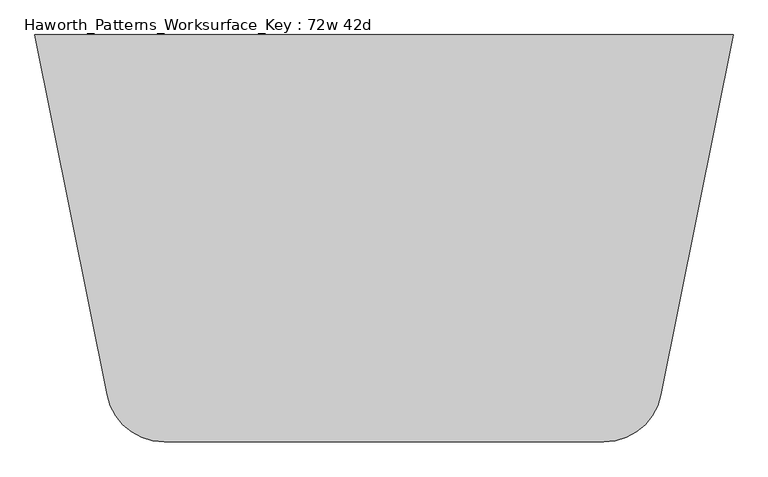
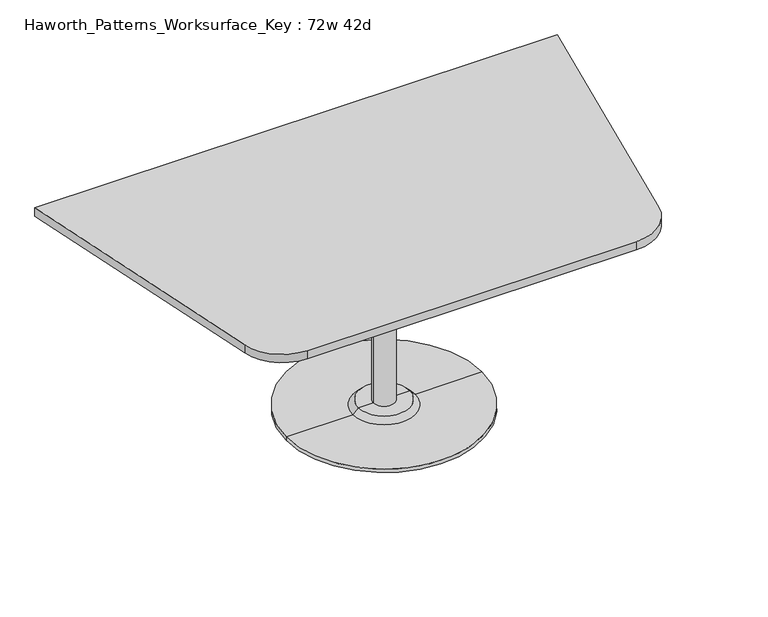
"""IFC4 building model written with IfcOpenShell, lengths in millimetres: furniture geometry, Haworth_Patterns_Worksurface_Key : 72w 42d."""

from ifc_helpers import new_model, si_unit, point, frame, frame_2d, origin, place, context, project, spatial, polyline, circle_curve, trimmed, segment, composite_curve, outline, extrude, source, transform, mapped, element, save
from ifc_brep_helpers import plane_surface, cylinder_surface, revolved_surface, advanced_brep


def haworth_patterns_worksurface_key_72w_42d_b5180f62(model_context):
    return source(origin(), model_context, "Body", "SolidModel", [
        advanced_brep(
        [(38.1, 139.7, 706.4375), (-38.1, 139.7, 706.4375), (0.0, 139.7, 706.4375), (38.1, 139.7, 31.75), (-38.1, 139.7, 31.75), (89.723978, 139.7, 31.75), (-89.723978, 139.7, 31.75), (342.9, 139.7, 0.0), (-342.9, 139.7, 0.0), (-342.9, 139.7, 12.7), (342.9, 139.7, 12.7), (0.0, 139.7, 0.0), (108.773978, 139.7, 12.7), (-108.773978, 139.7, 12.7)],
        [
            (0, 1, circle_curve(frame((0.0, 139.7, 706.4375), z_axis=(0.0, 0.0, 1.0), x_axis=(-1.0, 0.0, 0.0)), 38.1)),
            (1, 2),
            (2, 0),
            (1, 0, circle_curve(frame((0.0, 139.7, 706.4375), z_axis=(0.0, 0.0, 1.0), x_axis=(-1.0, 0.0, 0.0)), 38.1)),
            (3, 4, circle_curve(frame((0.0, 139.7, 31.75), z_axis=(0.0, 0.0, 1.0), x_axis=(-1.0, 0.0, 0.0)), 38.1)),
            (4, 1),
            (0, 3),
            (4, 3, circle_curve(frame((0.0, 139.7, 31.75), z_axis=(0.0, 0.0, 1.0), x_axis=(-1.0, 0.0, 0.0)), 38.1)),
            (5, 6, circle_curve(frame((0.0, 139.7, 31.75), z_axis=(0.0, 0.0, 1.0), x_axis=(-1.0, 0.0, 0.0)), 89.723978)),
            (6, 4),
            (3, 5),
            (6, 5, circle_curve(frame((0.0, 139.7, 31.75), z_axis=(0.0, 0.0, 1.0), x_axis=(-1.0, 0.0, 0.0)), 89.723978)),
            (7, 8, circle_curve(frame((0.0, 139.7, 0.0), z_axis=(0.0, 0.0, 1.0), x_axis=(-1.0, 0.0, 0.0)), 342.9)),
            (8, 9),
            (9, 10, circle_curve(frame((0.0, 139.7, 12.7), z_axis=(0.0, 0.0, -1.0), x_axis=(-1.0, 0.0, 0.0)), 342.9)),
            (10, 7),
            (8, 7, circle_curve(frame((0.0, 139.7, 0.0), z_axis=(0.0, 0.0, 1.0), x_axis=(-1.0, 0.0, 0.0)), 342.9)),
            (10, 9, circle_curve(frame((0.0, 139.7, 12.7), z_axis=(0.0, 0.0, -1.0), x_axis=(-1.0, 0.0, 0.0)), 342.9)),
            (11, 8),
            (7, 11),
            (12, 13, circle_curve(frame((0.0, 139.7, 12.7), z_axis=(0.0, 0.0, 1.0), x_axis=(-1.0, 0.0, 0.0)), 108.773978)),
            (13, 6),
            (5, 12),
            (13, 12, circle_curve(frame((0.0, 139.7, 12.7), z_axis=(0.0, 0.0, 1.0), x_axis=(-1.0, 0.0, 0.0)), 108.773978)),
            (9, 13),
            (12, 10),
        ],
        [
            plane_surface(frame((0.0, 139.7, 706.4375), z_axis=(0.0, 0.0, 1.0), x_axis=(-1.0, 0.0, 0.0))),
            cylinder_surface(frame((0.0, 139.7, 889.623257), z_axis=(0.0, 0.0, -1.0), x_axis=(-1.0, 0.0, 0.0)), 38.1),
            plane_surface(frame((0.0, 139.7, 31.75), z_axis=(0.0, 0.0, 1.0), x_axis=(-1.0, 0.0, 0.0))),
            cylinder_surface(frame((0.0, 139.7, 889.623257), z_axis=(0.0, 0.0, -1.0), x_axis=(-1.0, 0.0, 0.0)), 342.9),
            plane_surface(frame((0.0, 139.7, 0.0), z_axis=(0.0, 0.0, -1.0), x_axis=(-1.0, 0.0, 0.0))),
            revolved_surface(polyline([(-89.723978, 139.7, 31.75), (-108.773978, 139.7, 12.7)]), (0.0, 139.7, 889.623257), (0.0, 0.0, -1.0)),
            plane_surface(frame((0.0, 139.7, 12.7), z_axis=(0.0, 0.0, 1.0), x_axis=(-1.0, 0.0, 0.0))),
        ],
        [
            (0, [[1, 2, 3]]),
            (0, [[4, -3, -2]]),
            (1, [[5, 6, -1, 7]]),
            (1, [[8, -7, -4, -6]]),
            (2, [[9, 10, -5, 11]]),
            (2, [[12, -11, -8, -10]]),
            (3, [[13, 14, 15, 16]]),
            (3, [[17, -16, 18, -14]]),
            (4, [[19, -13, 20]]),
            (4, [[-20, -17, -19]]),
            (5, [[21, 22, -9, 23]]),
            (5, [[24, -23, -12, -22]]),
            (6, [[-15, 25, -21, 26]]),
            (6, [[-18, -26, -24, -25]]),
        ],
    ),
        extrude(outline(composite_curve([segment(polyline([(914.4, 673.1), (725.5423802, -271.188099)]), True, "CONTINUOUS"), segment(trimmed(circle_curve(frame_2d((576.1018852, -241.3)), 152.4), [point((725.5423802, -271.188099))], [point((576.1018852, -393.7))], False, "CARTESIAN"), True, "CONTINUOUS"), segment(polyline([(576.1018852, -393.7), (-576.1018852, -393.7)]), True, "CONTINUOUS"), segment(trimmed(circle_curve(frame_2d((-576.1018852, -241.3)), 152.4), [point((-576.1018852, -393.7))], [point((-725.5423802, -271.188099))], False, "CARTESIAN"), True, "CONTINUOUS"), segment(polyline([(-725.5423802, -271.188099), (-914.4, 673.1), (914.4, 673.1)]), True, "CONTINUOUS")], self_intersect=False)), frame((0.0, 0.0, 706.4375), z_axis=(0.0, 0.0, 1.0), x_axis=(1.0, 0.0, 0.0)), (0.0, 0.0, 1.0), 30.1625),
    ])


if __name__ == "__main__":
    model = new_model("IFC4")
    model_context = context("Model", 3, world=origin())
    ifc_project = project(units=[si_unit("LENGTHUNIT", "METRE", prefix="MILLI")], contexts=[model_context])
    site = spatial("IfcSite", under=ifc_project)
    building = spatial("IfcBuilding", under=site)
    placement = place(None, origin())
    haworth_patterns_worksurface_key_72w_42d_shape = haworth_patterns_worksurface_key_72w_42d_b5180f62(model_context)
    element("IfcFurniture", 1, ObjectType="Haworth_Patterns_Worksurface_Key : 72w 42d", at=placement, inside=building, context=model_context, shape_type="MappedRepresentation", body=[
        mapped(haworth_patterns_worksurface_key_72w_42d_shape, transform((0.0, 0.0, 0.0), x_axis=(1.0, 0.0, 0.0), y_axis=(0.0, 1.0, 0.0), z_axis=(0.0, 0.0, 1.0))),
    ])
    save(model, "model.ifc")
